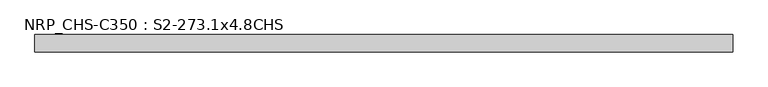
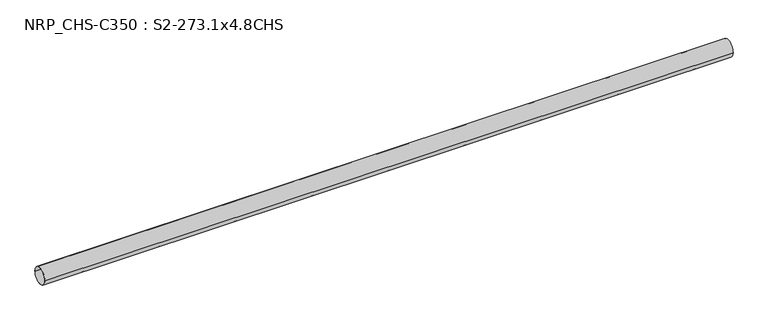
"""IFC4 building model written with IfcOpenShell, lengths in millimetres: beam geometry, NRP_CHS-C350 : S2-273.1x4.8CHS."""

from ifc_helpers import new_model, si_unit, point, frame, origin, origin_2d, place, context, project, spatial, circle_curve, trimmed, segment, composite_curve, outline, extrude, source, transform, mapped, element, save


def nrp_chs_c350_s2_273_1x4_8chs_f74037c1(model_context):
    return source(origin(), model_context, "Body", "SweptSolid", [
        extrude(outline(composite_curve([segment(trimmed(circle_curve(origin_2d(), 136.55), [point((136.55, 0.0))], [point((-136.55, 0.0))], False, "CARTESIAN"), True, "CONTINUOUS"), segment(trimmed(circle_curve(origin_2d(), 136.55), [point((-136.55, 0.0))], [point((136.55, 0.0))], False, "CARTESIAN"), True, "CONTINUOUS")], self_intersect=False), holes=[composite_curve([segment(trimmed(circle_curve(origin_2d(), 131.75), [point((-131.75, 0.0))], [point((131.75, 0.0))], True, "CARTESIAN"), True, "CONTINUOUS"), segment(trimmed(circle_curve(origin_2d(), 131.75), [point((131.75, 0.0))], [point((-131.75, 0.0))], True, "CARTESIAN"), True, "CONTINUOUS")], self_intersect=False)]), frame((-5542.3, 0.0, 0.0), z_axis=(1.0, 0.0, 0.0), x_axis=(0.0, 1.0, 0.0)), (0.0, 0.0, 1.0), 11075.1),
    ])


if __name__ == "__main__":
    model = new_model("IFC4")
    model_context = context("Model", 3, world=origin())
    ifc_project = project(units=[si_unit("LENGTHUNIT", "METRE", prefix="MILLI")], contexts=[model_context])
    site = spatial("IfcSite", under=ifc_project)
    building = spatial("IfcBuilding", under=site)
    placement = place(None, origin())
    nrp_chs_c350_s2_273_1x4_8chs_shape = nrp_chs_c350_s2_273_1x4_8chs_f74037c1(model_context)
    element("IfcBeam", 1, ObjectType="NRP_CHS-C350 : S2-273.1x4.8CHS", at=placement, inside=building, context=model_context, shape_type="MappedRepresentation", body=[
        mapped(nrp_chs_c350_s2_273_1x4_8chs_shape, transform((0.0, 0.0, 0.0), x_axis=(1.0, 0.0, 0.0), y_axis=(0.0, 1.0, 0.0), z_axis=(0.0, 0.0, 1.0))),
    ])
    save(model, "model.ifc")
